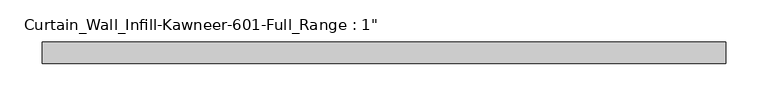
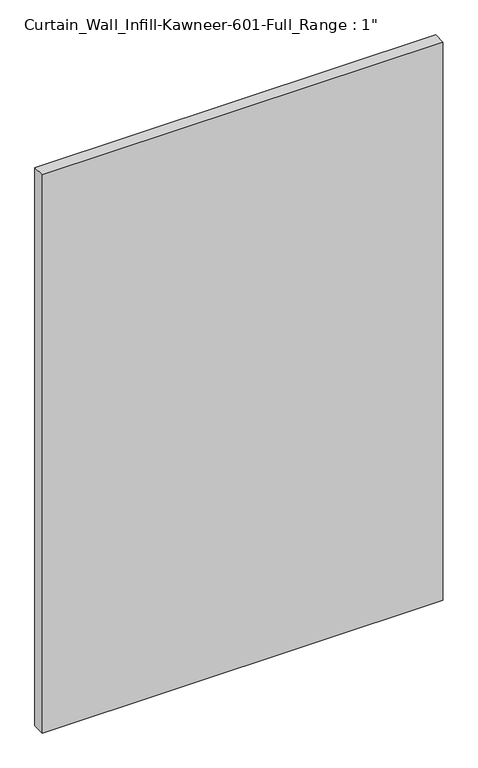
"""IFC4 building model written with IfcOpenShell, lengths in millimetres: plate geometry."""

from ifc_helpers import new_model, si_unit, origin, origin_with_axes, place, context, project, spatial, polyline, outline, extrude, source, transform, mapped, element, save


def plate_c4295554(model_context):
    return source(origin(), model_context, "Body", "SweptSolid", [
        extrude(outline(polyline([(-403.225, -12.7), (-403.225, 12.7), (403.225, 12.7), (403.225, -12.7), (-403.225, -12.7)])), origin_with_axes(), (0.0, 0.0, 1.0), 1187.45),
    ])


if __name__ == "__main__":
    model = new_model("IFC4")
    model_context = context("Model", 3, world=origin())
    ifc_project = project(units=[si_unit("LENGTHUNIT", "METRE", prefix="MILLI")], contexts=[model_context])
    site = spatial("IfcSite", under=ifc_project)
    building = spatial("IfcBuilding", under=site)
    placement = place(None, origin())
    plate_shape = plate_c4295554(model_context)
    element("IfcPlate", 1, ObjectType="Curtain_Wall_Infill-Kawneer-601-Full_Range : 1\"", at=placement, inside=building, context=model_context, shape_type="MappedRepresentation", body=[
        mapped(plate_shape, transform((0.0, 0.0, 0.0), x_axis=(1.0, 0.0, 0.0), y_axis=(0.0, 1.0, 0.0), z_axis=(0.0, 0.0, 1.0))),
    ])
    save(model, "model.ifc")
